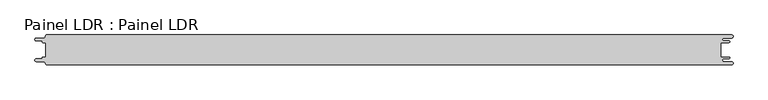
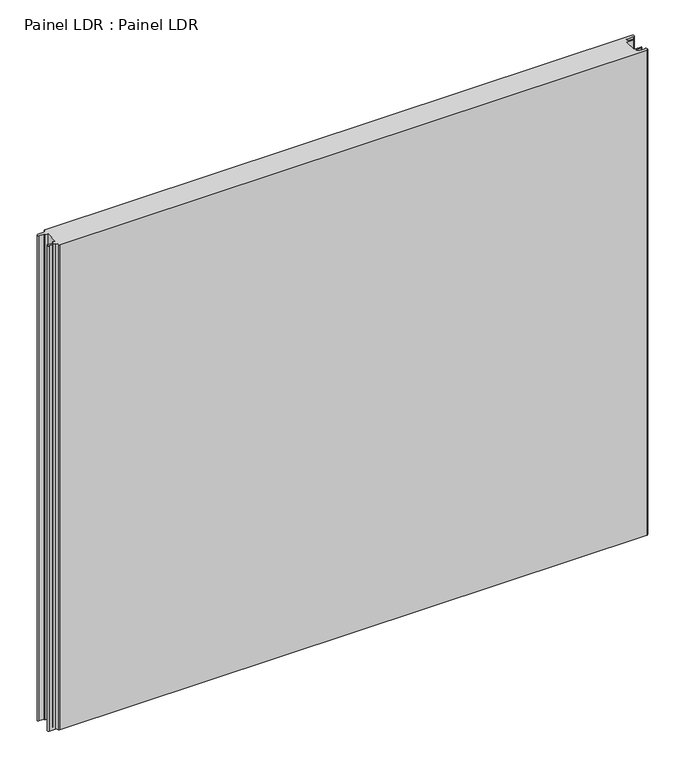
"""IFC4 building model written with IfcOpenShell, lengths in millimetres: proxy geometry, Painel LDR : Painel LDR."""

from ifc_helpers import new_model, si_unit, frame, origin, place, context, project, spatial, polyline, circle_curve, source, transform, mapped, element, save
from ifc_brep_helpers import plane_surface, cylinder_surface, revolved_surface, advanced_brep


def painel_ldr_painel_ldr_c5967439(model_context):
    return source(origin(), model_context, "Body", "AdvancedBrep", [
        advanced_brep(
        [(-579.5093748, 12.3, 1000.0), (-574.2218362, 12.3, 1000.0), (-574.2218362, -12.2999995, 1000.0), (-579.5093748, -12.2999995, 1000.0), (-580.1093753, -12.9, 1000.0), (-580.1093753, -13.7085185, 1000.0), (-581.5093753, -15.1085185, 1000.0), (-590.4875, -15.1085185, 1000.0), (-590.4875, -19.5085185, 1000.0), (-578.471875, -19.5085185, 1000.0), (-574.921875, -23.0585185, 1000.0), (-572.971875, -25.0, 1000.0), (572.284375, -25.0, 1000.0), (572.284375, -19.725, 1000.0), (559.378125, -19.725, 1000.0), (559.378125, -14.875, 1000.0), (568.0406253, -14.875, 1000.0), (568.0406253, -12.3, 1000.0), (554.1906253, -12.3, 1000.0), (554.1906253, 12.3, 1000.0), (568.0406253, 12.3, 1000.0), (568.0406253, 14.875, 1000.0), (559.378125, 14.875, 1000.0), (559.378125, 19.725, 1000.0), (572.284375, 19.725, 1000.0), (572.284375, 25.0, 1000.0), (-572.971875, 25.0, 1000.0), (-574.921875, 23.05, 1000.0), (-578.471875, 19.5085185, 1000.0), (-590.4875, 19.5085185, 1000.0), (-590.4875, 15.1085187, 1000.0), (-581.5093751, 15.1085187, 1000.0), (-580.1093748, 13.7085184, 1000.0), (-580.1093748, 12.9, 1000.0), (-579.5093748, 12.3, 0.0), (-580.1093748, 12.9, 0.0), (-580.1093748, 13.7085184, 0.0), (-581.5093751, 15.1085187, 0.0), (-590.4875, 15.1085187, 0.0), (-590.4875, 19.5085185, 0.0), (-578.471875, 19.5085185, 0.0), (-574.921875, 23.0585185, 0.0), (-572.971875, 25.0, 0.0), (572.284375, 25.0, 0.0), (572.284375, 19.725, 0.0), (559.378125, 19.725, 0.0), (559.378125, 14.875, 0.0), (568.0406253, 14.875, 0.0), (568.0406253, 12.3, 0.0), (554.1906253, 12.3, 0.0), (554.1906253, -12.3, 0.0), (568.0406253, -12.3, 0.0), (568.0406253, -14.875, 0.0), (559.378125, -14.875, 0.0), (559.378125, -19.725, 0.0), (572.284375, -19.725, 0.0), (572.284375, -25.0, 0.0), (-572.971875, -25.0, 0.0), (-574.921875, -23.05, 0.0), (-578.471875, -19.5085185, 0.0), (-590.4875, -19.5085185, 0.0), (-590.4875, -15.1085185, 0.0), (-581.5093753, -15.1085185, 0.0), (-580.1093753, -13.7085185, 0.0), (-580.1093753, -12.9, 0.0), (-579.5093748, -12.2999995, 0.0), (-574.2218362, -12.2999995, 0.0), (-574.2218362, 12.3, 0.0)],
        [
            (0, 1),
            (1, 2),
            (2, 3),
            (3, 4, circle_curve(frame((-579.5093748, -12.9, 1000.0), z_axis=(0.0, 0.0, 1.0), x_axis=(1.0, 0.0, 0.0)), 0.6000005)),
            (4, 5),
            (5, 6, circle_curve(frame((-581.5093753, -13.7085185, 1000.0), z_axis=(0.0, 0.0, -1.0), x_axis=(1.0, 0.0, 0.0)), 1.4)),
            (6, 7),
            (7, 8, circle_curve(frame((-590.4875, -17.3085185, 1000.0), z_axis=(0.0, 0.0, 1.0), x_axis=(1.0, 0.0, 0.0)), 2.2)),
            (8, 9),
            (9, 10, circle_curve(frame((-578.471875, -23.0585185, 1000.0), z_axis=(0.0, 0.0, -1.0), x_axis=(1.0, 0.0, 0.0)), 3.55)),
            (10, 11, circle_curve(frame((-572.971875, -23.05, 1000.0), z_axis=(0.0, 0.0, 1.0), x_axis=(1.0, 0.0, 0.0)), 1.95)),
            (11, 12),
            (12, 13, circle_curve(frame((572.284375, -22.3625, 1000.0), z_axis=(0.0, 0.0, 1.0), x_axis=(1.0, 0.0, 0.0)), 2.6375)),
            (13, 14),
            (14, 15, circle_curve(frame((559.378125, -17.3, 1000.0), z_axis=(0.0, 0.0, -1.0), x_axis=(1.0, 0.0, 0.0)), 2.425)),
            (15, 16),
            (16, 17, circle_curve(frame((568.0406253, -13.5875, 1000.0), z_axis=(0.0, 0.0, 1.0), x_axis=(1.0, 0.0, 0.0)), 1.2875)),
            (17, 18),
            (18, 19),
            (19, 20),
            (20, 21, circle_curve(frame((568.0406253, 13.5875, 1000.0), z_axis=(0.0, 0.0, 1.0), x_axis=(1.0, 0.0, 0.0)), 1.2875)),
            (21, 22),
            (22, 23, circle_curve(frame((559.378125, 17.3, 1000.0), z_axis=(0.0, 0.0, -1.0), x_axis=(1.0, 0.0, 0.0)), 2.425)),
            (23, 24),
            (24, 25, circle_curve(frame((572.284375, 22.3625, 1000.0), z_axis=(0.0, 0.0, 1.0), x_axis=(1.0, 0.0, 0.0)), 2.6375)),
            (25, 26),
            (26, 27, circle_curve(frame((-572.971875, 23.05, 1000.0), z_axis=(0.0, 0.0, 1.0), x_axis=(1.0, 0.0, 0.0)), 1.95)),
            (27, 28, circle_curve(frame((-578.471875, 23.0585185, 1000.0), z_axis=(0.0, 0.0, -1.0), x_axis=(1.0, 0.0, 0.0)), 3.55)),
            (28, 29),
            (29, 30, circle_curve(frame((-590.4875, 17.3085186, 1000.0), z_axis=(0.0, 0.0, 1.0), x_axis=(1.0, 0.0, 0.0)), 2.1999999)),
            (30, 31),
            (31, 32, circle_curve(frame((-581.5093751, 13.7085184, 1000.0), z_axis=(0.0, 0.0, -1.0), x_axis=(1.0, 0.0, 0.0)), 1.4000003)),
            (32, 33),
            (33, 0, circle_curve(frame((-579.5093748, 12.9, 1000.0), z_axis=(0.0, 0.0, 1.0), x_axis=(1.0, 0.0, 0.0)), 0.6)),
            (34, 35, circle_curve(frame((-579.5093748, 12.9, 0.0), z_axis=(0.0, 0.0, -1.0), x_axis=(1.0, 0.0, 0.0)), 0.6)),
            (35, 36),
            (36, 37, circle_curve(frame((-581.5093751, 13.7085184, 0.0), z_axis=(0.0, 0.0, 1.0), x_axis=(1.0, 0.0, 0.0)), 1.4000003)),
            (37, 38),
            (38, 39, circle_curve(frame((-590.4875, 17.3085186, 0.0), z_axis=(0.0, 0.0, -1.0), x_axis=(1.0, 0.0, 0.0)), 2.1999999)),
            (39, 40),
            (40, 41, circle_curve(frame((-578.471875, 23.0585185, 0.0), z_axis=(0.0, 0.0, 1.0), x_axis=(1.0, 0.0, 0.0)), 3.55)),
            (41, 42, circle_curve(frame((-572.971875, 23.05, 0.0), z_axis=(0.0, 0.0, -1.0), x_axis=(1.0, 0.0, 0.0)), 1.95)),
            (42, 43),
            (43, 44, circle_curve(frame((572.284375, 22.3625, 0.0), z_axis=(0.0, 0.0, -1.0), x_axis=(1.0, 0.0, 0.0)), 2.6375)),
            (44, 45),
            (45, 46, circle_curve(frame((559.378125, 17.3, 0.0), z_axis=(0.0, 0.0, 1.0), x_axis=(1.0, 0.0, 0.0)), 2.425)),
            (46, 47),
            (47, 48, circle_curve(frame((568.0406253, 13.5875, 0.0), z_axis=(0.0, 0.0, -1.0), x_axis=(1.0, 0.0, 0.0)), 1.2875)),
            (48, 49),
            (49, 50),
            (50, 51),
            (51, 52, circle_curve(frame((568.0406253, -13.5875, 0.0), z_axis=(0.0, 0.0, -1.0), x_axis=(1.0, 0.0, 0.0)), 1.2875)),
            (52, 53),
            (53, 54, circle_curve(frame((559.378125, -17.3, 0.0), z_axis=(0.0, 0.0, 1.0), x_axis=(1.0, 0.0, 0.0)), 2.425)),
            (54, 55),
            (55, 56, circle_curve(frame((572.284375, -22.3625, 0.0), z_axis=(0.0, 0.0, -1.0), x_axis=(1.0, 0.0, 0.0)), 2.6375)),
            (56, 57),
            (57, 58, circle_curve(frame((-572.971875, -23.05, 0.0), z_axis=(0.0, 0.0, -1.0), x_axis=(1.0, 0.0, 0.0)), 1.95)),
            (58, 59, circle_curve(frame((-578.471875, -23.0585185, 0.0), z_axis=(0.0, 0.0, 1.0), x_axis=(1.0, 0.0, 0.0)), 3.55)),
            (59, 60),
            (60, 61, circle_curve(frame((-590.4875, -17.3085185, 0.0), z_axis=(0.0, 0.0, -1.0), x_axis=(1.0, 0.0, 0.0)), 2.2)),
            (61, 62),
            (62, 63, circle_curve(frame((-581.5093753, -13.7085185, 0.0), z_axis=(0.0, 0.0, 1.0), x_axis=(1.0, 0.0, 0.0)), 1.4)),
            (63, 64),
            (64, 65, circle_curve(frame((-579.5093748, -12.9, 0.0), z_axis=(0.0, 0.0, -1.0), x_axis=(1.0, 0.0, 0.0)), 0.6000005)),
            (65, 66),
            (66, 67),
            (67, 34),
            (0, 34),
            (67, 1),
            (66, 2),
            (65, 3),
            (64, 4),
            (63, 5),
            (62, 6),
            (61, 7),
            (60, 8),
            (59, 9),
            (58, 10),
            (57, 11),
            (56, 12),
            (18, 50),
            (49, 19),
            (48, 20),
            (47, 21),
            (46, 22),
            (45, 23),
            (44, 24),
            (43, 25),
            (42, 26),
            (41, 27),
            (40, 28),
            (39, 29),
            (38, 30),
            (37, 31),
            (36, 32),
            (35, 33),
            (55, 13),
            (54, 14),
            (53, 15),
            (52, 16),
            (51, 17),
        ],
        [
            plane_surface(frame((-574.2218362, 12.3, 1000.0), z_axis=(0.0, 0.0, 1.0), x_axis=(1.0, 0.0, 0.0))),
            plane_surface(frame((-574.2218362, 12.3, 0.0), z_axis=(0.0, 0.0, -1.0), x_axis=(-1.0, 0.0, 0.0))),
            plane_surface(frame((-579.5093748, 12.3, 1000.0), z_axis=(0.0, -1.0, 0.0), x_axis=(0.0, 0.0, -1.0))),
            plane_surface(frame((-574.2218362, 12.3, 1000.0), z_axis=(-1.0, 0.0, 0.0), x_axis=(0.0, 0.0, -1.0))),
            plane_surface(frame((-574.2218362, -12.2999995, 1000.0), z_axis=(0.0, 1.0, 0.0), x_axis=(0.0, 0.0, -1.0))),
            cylinder_surface(frame((-579.5093748, -12.9, 0.0), z_axis=(0.0, 0.0, 1.0), x_axis=(1.0, 0.0, 0.0)), 0.6000005),
            plane_surface(frame((-580.1093753, -12.9, 1000.0), z_axis=(-1.0, 1.757860866232943e-12, 0.0), x_axis=(0.0, 0.0, -1.0))),
            revolved_surface(polyline([(-580.1093753, -13.7085185, 0.0), (-580.1093753, -13.7085185, 1000.0)]), (-581.5093753, -13.7085185, 0.0), (0.0, 0.0, -1.0)),
            plane_surface(frame((-581.5093753, -15.1085185, 1000.0), z_axis=(0.0, 1.0, 0.0), x_axis=(0.0, 0.0, -1.0))),
            cylinder_surface(frame((-590.4875, -17.3085185, 0.0), z_axis=(0.0, 0.0, 1.0), x_axis=(1.0, 0.0, 0.0)), 2.2),
            plane_surface(frame((-590.4875, -19.5085185, 1000.0), z_axis=(0.0, -1.0, 0.0), x_axis=(0.0, 0.0, -1.0))),
            revolved_surface(polyline([(-574.921875, -23.0585185, 0.0), (-574.921875, -23.0585185, 1000.0)]), (-578.471875, -23.0585185, 0.0), (0.0, 0.0, -1.0)),
            cylinder_surface(frame((-572.971875, -23.05, 0.0), z_axis=(0.0, 0.0, 1.0), x_axis=(1.0, 0.0, 0.0)), 1.95),
            plane_surface(frame((-572.971875, -25.0, 1000.0), z_axis=(0.0, -1.0, 0.0), x_axis=(0.0, 0.0, -1.0))),
            plane_surface(frame((554.1906253, -12.3, 1000.0), z_axis=(1.0, 0.0, 0.0), x_axis=(0.0, 0.0, -1.0))),
            plane_surface(frame((554.1906253, 12.3, 1000.0), z_axis=(0.0, -1.0, 0.0), x_axis=(0.0, 0.0, -1.0))),
            cylinder_surface(frame((568.0406253, 13.5875, 0.0), z_axis=(0.0, 0.0, 1.0), x_axis=(1.0, 0.0, 0.0)), 1.2875),
            plane_surface(frame((568.0406253, 14.875, 1000.0), z_axis=(0.0, 1.0, 0.0), x_axis=(0.0, 0.0, -1.0))),
            revolved_surface(polyline([(561.8031249999999, 17.3, 0.0), (561.8031249999999, 17.3, 1000.0)]), (559.378125, 17.3, 0.0), (0.0, 0.0, -1.0)),
            plane_surface(frame((559.378125, 19.725, 1000.0), z_axis=(0.0, -1.0, 0.0), x_axis=(0.0, 0.0, -1.0))),
            cylinder_surface(frame((572.284375, 22.3625, 0.0), z_axis=(0.0, 0.0, 1.0), x_axis=(1.0, 0.0, 0.0)), 2.6375),
            plane_surface(frame((572.284375, 25.0, 1000.0), z_axis=(0.0, 1.0, 0.0), x_axis=(0.0, 0.0, -1.0))),
            cylinder_surface(frame((-572.971875, 23.05, 0.0), z_axis=(0.0, 0.0, 1.0), x_axis=(1.0, 0.0, 0.0)), 1.95),
            revolved_surface(polyline([(-574.921875, 23.0585185, 0.0), (-574.921875, 23.0585185, 1000.0)]), (-578.471875, 23.0585185, 0.0), (0.0, 0.0, -1.0)),
            plane_surface(frame((-578.471875, 19.5085185, 1000.0), z_axis=(0.0, 1.0, 0.0), x_axis=(0.0, 0.0, -1.0))),
            cylinder_surface(frame((-590.4875, 17.3085186, 0.0), z_axis=(0.0, 0.0, 1.0), x_axis=(1.0, 0.0, 0.0)), 2.1999999),
            plane_surface(frame((-590.4875, 15.1085187, 1000.0), z_axis=(0.0, -1.0, 0.0), x_axis=(0.0, 0.0, -1.0))),
            revolved_surface(polyline([(-580.1093748000001, 13.7085184, 0.0), (-580.1093748000001, 13.7085184, 1000.0)]), (-581.5093751, 13.7085184, 0.0), (0.0, 0.0, -1.0)),
            plane_surface(frame((-580.1093748, 13.7085184, 1000.0), z_axis=(-1.0, 0.0, 0.0), x_axis=(0.0, 0.0, -1.0))),
            cylinder_surface(frame((-579.5093748, 12.9, 0.0), z_axis=(0.0, 0.0, 1.0), x_axis=(1.0, 0.0, 0.0)), 0.6),
            cylinder_surface(frame((572.284375, -22.3625, 0.0), z_axis=(0.0, 0.0, 1.0), x_axis=(1.0, 0.0, 0.0)), 2.6375),
            plane_surface(frame((572.284375, -19.725, 1000.0), z_axis=(0.0, 1.0, 0.0), x_axis=(0.0, 0.0, -1.0))),
            revolved_surface(polyline([(561.8031249999999, -17.3, 0.0), (561.8031249999999, -17.3, 1000.0)]), (559.378125, -17.3, 0.0), (0.0, 0.0, -1.0)),
            plane_surface(frame((559.378125, -14.875, 1000.0), z_axis=(0.0, -1.0, 0.0), x_axis=(0.0, 0.0, -1.0))),
            cylinder_surface(frame((568.0406253, -13.5875, 0.0), z_axis=(0.0, 0.0, 1.0), x_axis=(1.0, 0.0, 0.0)), 1.2875),
            plane_surface(frame((568.0406253, -12.3, 1000.0), z_axis=(0.0, 1.0, 0.0), x_axis=(0.0, 0.0, -1.0))),
        ],
        [
            (0, [[1, 2, 3, 4, 5, 6, 7, 8, 9, 10, 11, 12, 13, 14, 15, 16, 17, 18, 19, 20, 21, 22, 23, 24, 25, 26, 27, 28, 29, 30, 31, 32, 33, 34]]),
            (1, [[35, 36, 37, 38, 39, 40, 41, 42, 43, 44, 45, 46, 47, 48, 49, 50, 51, 52, 53, 54, 55, 56, 57, 58, 59, 60, 61, 62, 63, 64, 65, 66, 67, 68]]),
            (2, [[-1, 69, -68, 70]]),
            (3, [[-2, -70, -67, 71]]),
            (4, [[-3, -71, -66, 72]]),
            (5, [[-4, -72, -65, 73]]),
            (6, [[-5, -73, -64, 74]]),
            (7, [[-6, -74, -63, 75]]),
            (8, [[-7, -75, -62, 76]]),
            (9, [[-8, -76, -61, 77]]),
            (10, [[-9, -77, -60, 78]]),
            (11, [[-10, -78, -59, 79]]),
            (12, [[-11, -79, -58, 80]]),
            (13, [[-12, -80, -57, 81]]),
            (14, [[-19, 82, -50, 83]]),
            (15, [[-20, -83, -49, 84]]),
            (16, [[-21, -84, -48, 85]]),
            (17, [[-22, -85, -47, 86]]),
            (18, [[-23, -86, -46, 87]]),
            (19, [[-24, -87, -45, 88]]),
            (20, [[-25, -88, -44, 89]]),
            (21, [[-26, -89, -43, 90]]),
            (22, [[-27, -90, -42, 91]]),
            (23, [[-28, -91, -41, 92]]),
            (24, [[-29, -92, -40, 93]]),
            (25, [[-30, -93, -39, 94]]),
            (26, [[-31, -94, -38, 95]]),
            (27, [[-32, -95, -37, 96]]),
            (28, [[-33, -96, -36, 97]]),
            (29, [[-34, -97, -35, -69]]),
            (30, [[-13, -81, -56, 98]]),
            (31, [[-14, -98, -55, 99]]),
            (32, [[-15, -99, -54, 100]]),
            (33, [[-16, -100, -53, 101]]),
            (34, [[-17, -101, -52, 102]]),
            (35, [[-18, -102, -51, -82]]),
        ],
    ),
    ])


if __name__ == "__main__":
    model = new_model("IFC4")
    model_context = context("Model", 3, world=origin())
    ifc_project = project(units=[si_unit("LENGTHUNIT", "METRE", prefix="MILLI")], contexts=[model_context])
    site = spatial("IfcSite", under=ifc_project)
    building = spatial("IfcBuilding", under=site)
    placement = place(None, origin())
    painel_ldr_painel_ldr_shape = painel_ldr_painel_ldr_c5967439(model_context)
    element("IfcBuildingElementProxy", 1, Name="Painel LDR : Painel LDR", ObjectType="Painel LDR : Painel LDR", at=placement, inside=building, context=model_context, shape_type="MappedRepresentation", body=[
        mapped(painel_ldr_painel_ldr_shape, transform((0.0, 0.0, 0.0), x_axis=(1.0, 0.0, 0.0), y_axis=(0.0, 1.0, 0.0), z_axis=(0.0, 0.0, 1.0))),
    ])
    save(model, "model.ifc")
